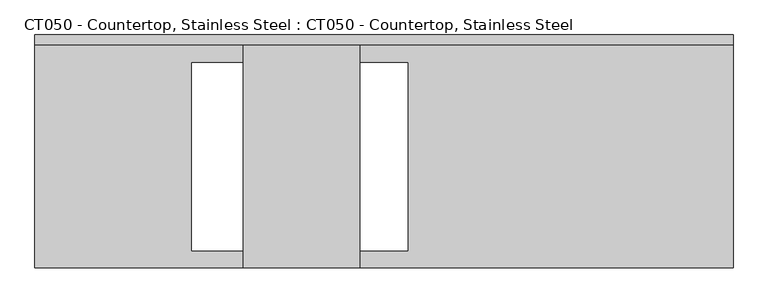
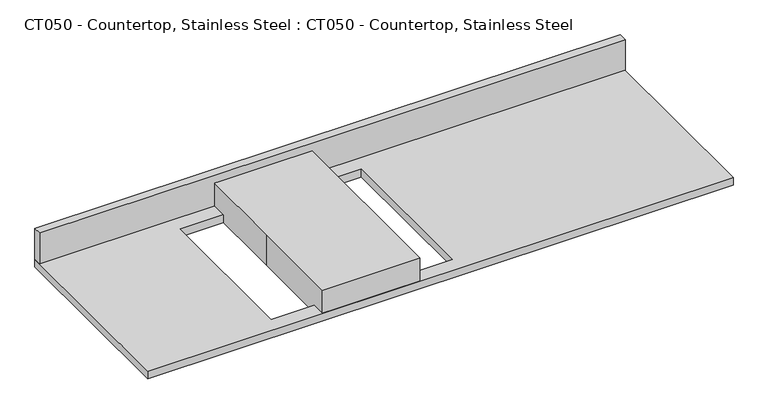
"""IFC4 building model written with IfcOpenShell, lengths in millimetres: proxy geometry, CT050 - Countertop, Stainless Steel : CT050 - Countertop, Stainless Steel."""

from ifc_helpers import new_model, si_unit, frame, origin, origin_with_axes, place, context, project, spatial, polyline, outline, extrude, source, transform, mapped, element, save


def ct050_countertop_stainless_steel_ct050_countertop_stainless_a12e9bf2(model_context):
    return source(origin(), model_context, "Body", "SweptSolid", [
        extrude(outline(polyline([(1130.5304938, 304.8), (1130.5304938, -304.8), (-698.5, -304.8), (-698.5, 304.8), (1130.5304938, 304.8)]), holes=[polyline([(278.1372701, 231.775), (-287.01273, 231.775), (-287.01273, -260.35), (278.1372701, -260.35), (278.1372701, 231.775)])]), origin_with_axes(), (0.0, 0.0, 1.0), 25.4),
        extrude(outline(polyline([(-698.5, 279.4), (-698.5, 304.8), (1130.5304938, 304.8), (1130.5304938, 279.4), (-698.5, 279.4)])), frame((0.0, 0.0, 25.4), z_axis=(0.0, 0.0, 1.0), x_axis=(1.0, 0.0, 0.0)), (0.0, 0.0, 1.0), 101.6),
        extrude(outline(polyline([(-152.4, 304.8), (152.4, 304.8), (152.4, -304.8), (-152.4, -304.8), (-152.4, 0.0), (-152.4, 304.8)])), origin_with_axes(), (0.0, 0.0, 1.0), 101.6),
    ])


if __name__ == "__main__":
    model = new_model("IFC4")
    model_context = context("Model", 3, world=origin())
    ifc_project = project(units=[si_unit("LENGTHUNIT", "METRE", prefix="MILLI")], contexts=[model_context])
    site = spatial("IfcSite", under=ifc_project)
    building = spatial("IfcBuilding", under=site)
    placement = place(None, origin())
    ct050_countertop_stainless_steel_ct050_countertop_stainless_shape = ct050_countertop_stainless_steel_ct050_countertop_stainless_a12e9bf2(model_context)
    element("IfcBuildingElementProxy", 1, Name="CT050 - Countertop, Stainless Steel : CT050 - Countertop, Stainless Steel", ObjectType="CT050 - Countertop, Stainless Steel : CT050 - Countertop, Stainless Steel", at=placement, inside=building, context=model_context, shape_type="MappedRepresentation", body=[
        mapped(ct050_countertop_stainless_steel_ct050_countertop_stainless_shape, transform((0.0, 0.0, 0.0), x_axis=(1.0, 0.0, 0.0), y_axis=(0.0, 1.0, 0.0), z_axis=(0.0, 0.0, 1.0))),
    ])
    save(model, "model.ifc")
